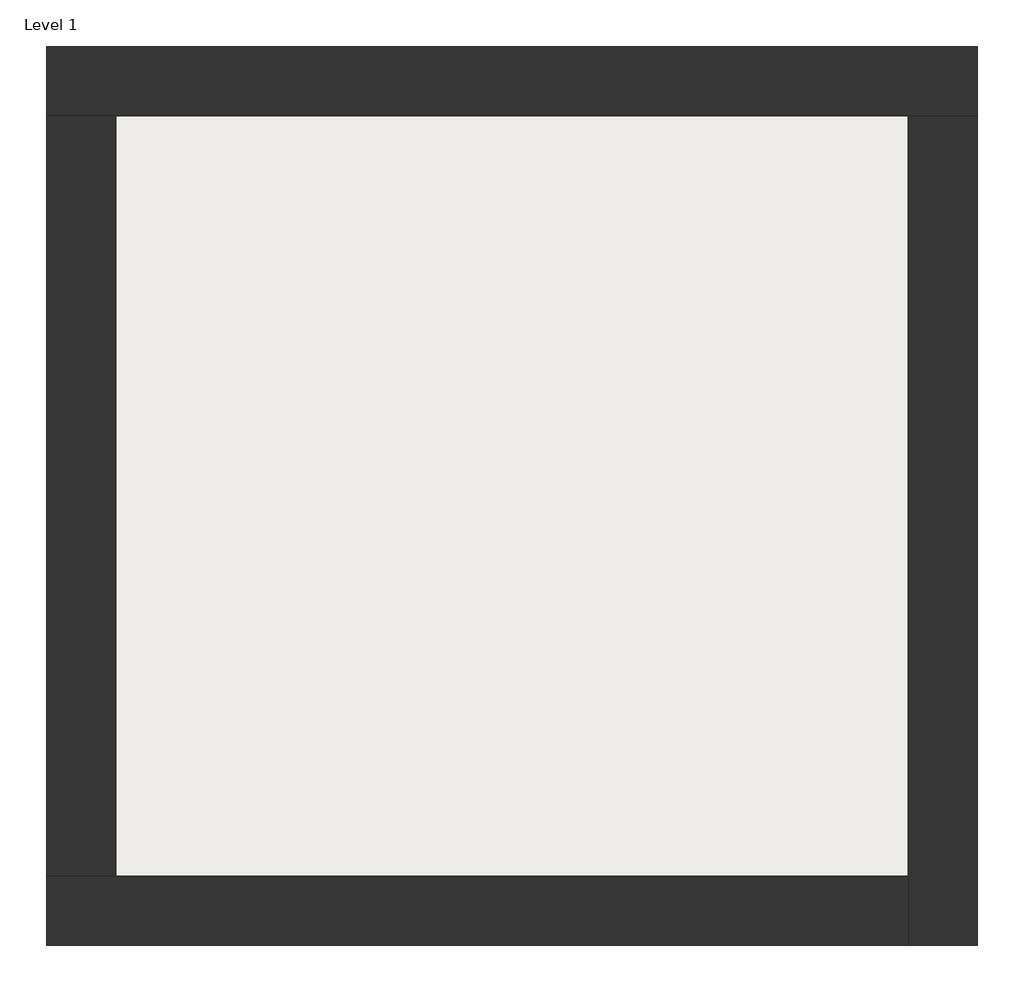
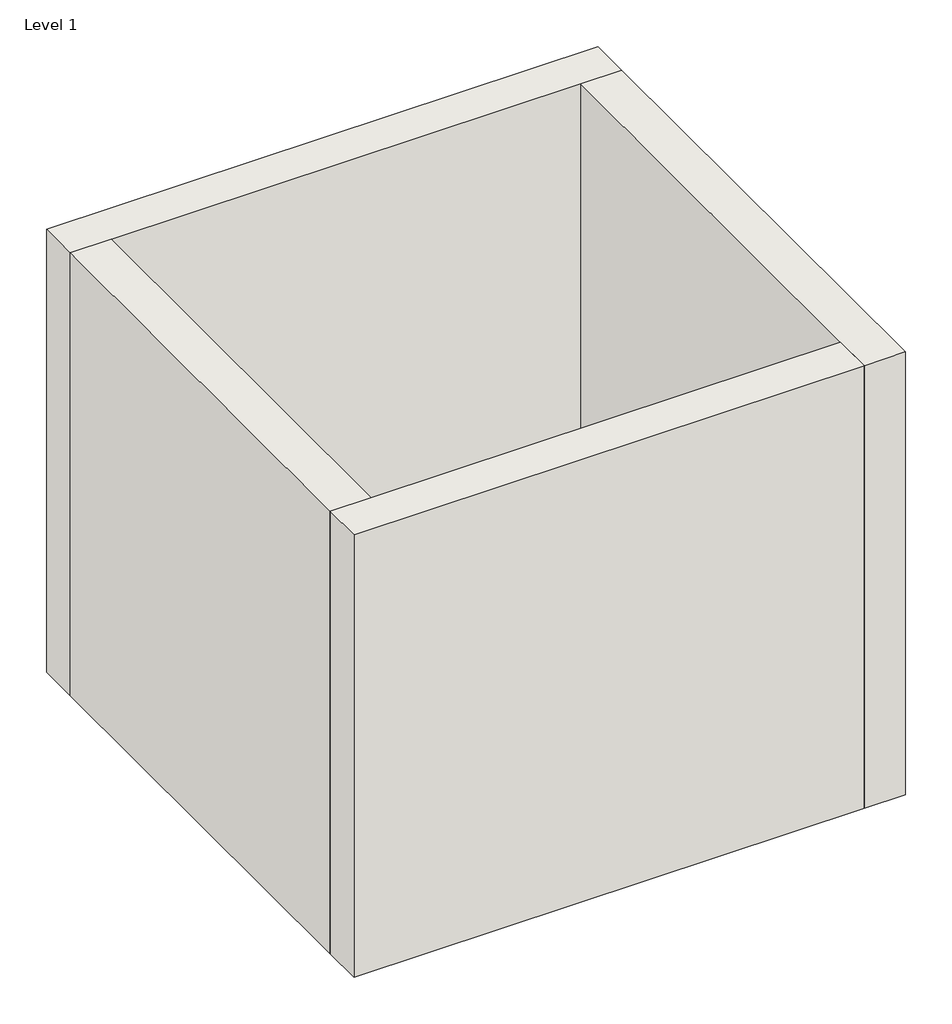
# One storey: 4 walls, 1 slab.
"""IFC4 building model written with IfcOpenShell, lengths in millimetres."""

from ifc_helpers import new_model, si_unit, frame, origin, origin_with_axes, place, context, project, spatial, polyline, outline, extrude, faceted_brep, element, save

model = new_model("IFC4")

# Units and contexts
model_context = context("Model", 3, world=origin())
ifc_project = project(units=[si_unit("LENGTHUNIT", "METRE", prefix="MILLI")], contexts=[model_context])

# Site, building, storey
site = spatial("IfcSite", under=ifc_project)
building = spatial("IfcBuilding", under=site)
storey = spatial("IfcBuildingStorey", under=building, Name="Level 1", Elevation=0.0)

# Slab
placement = place(None, origin())
element("IfcSlab", 1, at=placement, inside=storey, context=model_context, shape_type="SweptSolid", body=[
    extrude(outline(polyline([(-10869.3573003, 6934.2750283), (-10869.3573003, 3058.2750283), (-14907.8573003, 3058.2750283), (-14907.8573003, 6934.2750283), (-10869.3573003, 6934.2750283)])), frame((0.0, 0.0, 8.0), z_axis=(0.0, 0.0, 1.0), x_axis=(1.0, 0.0, 0.0)), (0.0, 0.0, 1.0), 72.0),
])

# Walls
element("IfcWall", 2, ObjectType="Exterior - Brick on Mtl. Stud", at=placement, inside=storey, context=model_context, shape_type="Brep", body=[
    faceted_brep([(-15244.8573003, 6921.2750283, 0.0), (-14894.8573003, 6921.2750283, 0.0), (-10882.3573003, 6921.2750283, 0.0), (-10532.3573003, 6921.2750283, 0.0), (-10532.3573003, 6921.2750283, 4000.0), (-10882.3573003, 6921.2750283, 4000.0), (-14894.8573003, 6921.2750283, 4000.0), (-15244.8573003, 6921.2750283, 4000.0), (-15244.8573003, 7271.2750283, 0.0), (-15244.8573003, 7271.2750283, 4000.0), (-10532.3573003, 7271.2750283, 4000.0), (-10532.3573003, 7271.2750283, 0.0)], [[[0, 1, 2, 3, 4, 5, 6, 7]], [[8, 9, 10, 11]], [[3, 2, 1, 0, 8, 11]], [[7, 6, 5, 4, 10, 9]], [[0, 7, 9, 8]], [[4, 3, 11, 10]]]),
])
element("IfcWall", 3, ObjectType="Exterior - Brick on Mtl. Stud", at=placement, inside=storey, context=model_context, shape_type="Brep", body=[
    faceted_brep([(-10882.3573003, 6921.2750283, 0.0), (-10882.3573003, 3071.2750283, 0.0), (-10882.3573003, 2721.2750283, 0.0), (-10882.3573003, 2721.2750283, 4000.0), (-10882.3573003, 3071.2750283, 4000.0), (-10882.3573003, 6921.2750283, 4000.0), (-10532.3573003, 6921.2750283, 0.0), (-10532.3573003, 6921.2750283, 4000.0), (-10532.3573003, 2721.2750283, 4000.0), (-10532.3573003, 2721.2750283, 0.0)], [[[0, 1, 2, 3, 4, 5]], [[6, 7, 8, 9]], [[2, 1, 0, 6, 9]], [[5, 4, 3, 8, 7]], [[3, 2, 9, 8]], [[0, 5, 7, 6]]]),
])
element("IfcWall", 4, ObjectType="Exterior - Brick on Mtl. Stud", at=placement, inside=storey, context=model_context, shape_type="Brep", body=[
    faceted_brep([(-10882.3573003, 3071.2750283, 0.0), (-14894.8573003, 3071.2750283, 0.0), (-15244.8573003, 3071.2750283, 0.0), (-15244.8573003, 3071.2750283, 4000.0), (-14894.8573003, 3071.2750283, 4000.0), (-10882.3573003, 3071.2750283, 4000.0), (-10882.3573003, 2721.2750283, 0.0), (-10882.3573003, 2721.2750283, 4000.0), (-15244.8573003, 2721.2750283, 4000.0), (-15244.8573003, 2721.2750283, 0.0)], [[[0, 1, 2, 3, 4, 5]], [[6, 7, 8, 9]], [[2, 1, 0, 6, 9]], [[5, 4, 3, 8, 7]], [[3, 2, 9, 8]], [[0, 5, 7, 6]]]),
])
element("IfcWall", 5, ObjectType="Exterior - Brick on Mtl. Stud", at=placement, inside=storey, context=model_context, shape_type="SweptSolid", body=[
    extrude(outline(polyline([(-14894.8573003, 6921.2750283), (-14894.8573003, 3071.2750283), (-15244.8573003, 3071.2750283), (-15244.8573003, 6921.2750283), (-14894.8573003, 6921.2750283)])), origin_with_axes(), (0.0, 0.0, 1.0), 4000.0),
])

save(model, "model.ifc")
